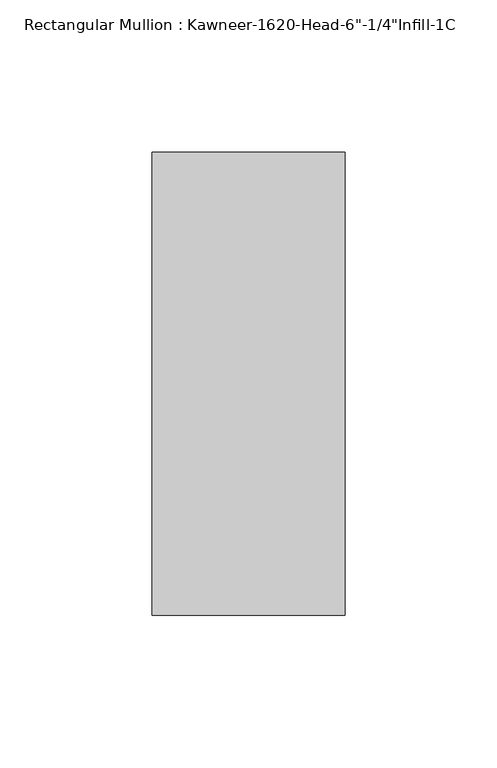
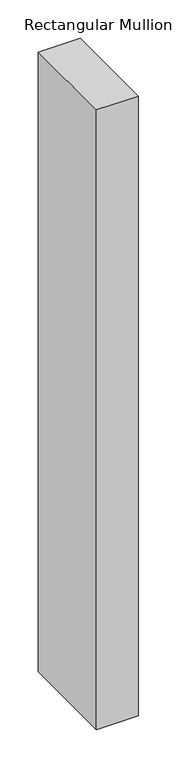
"""IFC4 building model written with IfcOpenShell, lengths in millimetres: member geometry."""

from ifc_helpers import new_model, si_unit, frame, origin, place, context, project, spatial, polyline, outline, extrude, source, transform, mapped, element, save


def member_9c0c777b(model_context):
    return source(origin(), model_context, "Body", "SweptSolid", [
        extrude(outline(polyline([(-22.225, 28.575), (41.275, 28.575), (41.275, -123.825), (-22.225, -123.825), (-22.225, 28.575)])), frame((0.0, 0.0, -990.6), z_axis=(0.0, 0.0, 1.0), x_axis=(1.0, 0.0, 0.0)), (0.0, 0.0, 1.0), 990.6),
    ])


if __name__ == "__main__":
    model = new_model("IFC4")
    model_context = context("Model", 3, world=origin())
    ifc_project = project(units=[si_unit("LENGTHUNIT", "METRE", prefix="MILLI")], contexts=[model_context])
    site = spatial("IfcSite", under=ifc_project)
    building = spatial("IfcBuilding", under=site)
    placement = place(None, origin())
    member_shape = member_9c0c777b(model_context)
    element("IfcMember", 1, ObjectType="Rectangular Mullion : Kawneer-1620-Head-6\"-1/4\"Infill-1C", at=placement, inside=building, context=model_context, shape_type="MappedRepresentation", body=[
        mapped(member_shape, transform((0.0, 0.0, 0.0), x_axis=(1.0, 0.0, 0.0), y_axis=(0.0, 1.0, 0.0), z_axis=(0.0, 0.0, 1.0))),
    ])
    save(model, "model.ifc")
